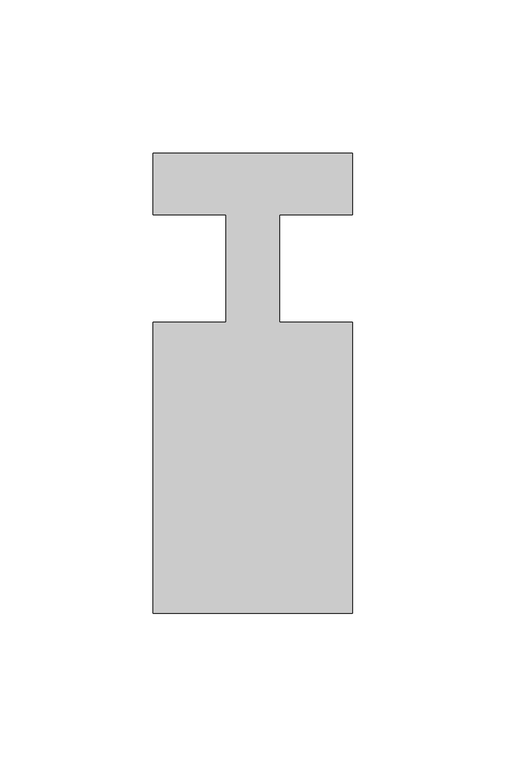
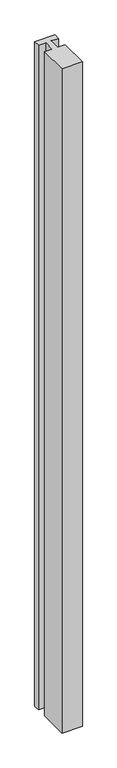
"""IFC4 building model written with IfcOpenShell, lengths in millimetres: member geometry."""

import ifcopenshell
import ifcopenshell.guid

model = None  # the IFC model being written
_history = None  # IfcOwnerHistory: only IFC2X3 demands one
_inside = {}  # id of a spatial element -> (the spatial element, [elements in it])
_under = {}  # id of a project, library or spatial element -> (it, [spatial elements below it])
_declared = {}  # id of a project -> (the project, [libraries it declares])
_typed = {}  # id of a type object -> (the type object, [elements of that type])
_made_of = {}  # id of a material, layer set ... -> (it, [elements and type objects made of it])


def new_model(schema):
    """Start an empty IFC model of exactly this schema.

    Asked for "IFC4X3", IfcOpenShell would pick the latest addendum, in which some entities
    have other attributes; the version numbers below select the first issue.
    IFC2X3 requires an IfcOwnerHistory on every rooted entity: one is made here for all.
    """
    global model, _history
    if schema == "IFC4X3":
        model = ifcopenshell.file(schema_version=(4, 3, 0, 0))
    else:
        model = ifcopenshell.file(schema=schema)
    _inside.clear()
    _under.clear()
    _declared.clear()
    _typed.clear()
    _made_of.clear()
    _history = None
    if model.schema == "IFC2X3":
        org = make("IfcOrganization", Name="unknown")
        user = make(
            "IfcPersonAndOrganization",
            ThePerson=make("IfcPerson", FamilyName="unknown"),
            TheOrganization=org,
        )
        app = make(
            "IfcApplication",
            ApplicationDeveloper=org,
            Version="unknown",
            ApplicationFullName="unknown",
            ApplicationIdentifier="unknown",
        )
        _history = make(
            "IfcOwnerHistory",
            OwningUser=user,
            OwningApplication=app,
            ChangeAction="ADDED",
            CreationDate=0,
        )
    return model


def make(cls, **values):
    """One entity of the class cls with the attributes given. An attribute that is None is left unset."""
    return model.create_entity(
        cls, **{name: value for name, value in values.items() if value is not None}
    )


def rooted(cls, **values):
    """An entity with a GlobalId (a new one), such as an element, a storey or a relation."""
    return make(cls, GlobalId=ifcopenshell.guid.new(), OwnerHistory=_history, **values)


def si_unit(unit_type, name, prefix=None):
    """IfcSIUnit, for example si_unit("LENGTHUNIT", "METRE", prefix="MILLI")."""
    return make("IfcSIUnit", UnitType=unit_type, Prefix=prefix, Name=name)


def assignment(units):
    """IfcUnitAssignment: the units of a project."""
    return None if units is None else make("IfcUnitAssignment", Units=units)


def point(xyz):
    """IfcCartesianPoint."""
    return None if xyz is None else make("IfcCartesianPoint", Coordinates=xyz)


def direction(xyz):
    """IfcDirection."""
    return None if xyz is None else make("IfcDirection", DirectionRatios=xyz)


def frame(location, z_axis=None, x_axis=None):
    """IfcAxis2Placement3D, a coordinate frame: its origin and axes. An axis left out is left unset."""
    return make(
        "IfcAxis2Placement3D",
        Location=point(location),
        Axis=direction(z_axis),
        RefDirection=direction(x_axis),
    )


def origin():
    """The frame at (0, 0, 0) with its axes left unset."""
    return frame((0.0, 0.0, 0.0))


def place(relative_to, where):
    """IfcLocalPlacement: puts the frame where relative to a parent placement (None: the world)."""
    return make(
        "IfcLocalPlacement", PlacementRelTo=relative_to, RelativePlacement=where
    )


def context(
    kind, dimensions, precision=None, world=None, true_north=None, identifier=None
):
    """IfcGeometricRepresentationContext, for example the 3D "Model" context."""
    return make(
        "IfcGeometricRepresentationContext",
        ContextIdentifier=identifier,
        ContextType=kind,
        CoordinateSpaceDimension=dimensions,
        Precision=precision,
        WorldCoordinateSystem=world,
        TrueNorth=true_north,
    )


def project(units=None, contexts=None):
    """IfcProject with its units and contexts."""
    return rooted(
        "IfcProject",
        Name="project",
        RepresentationContexts=contexts,
        UnitsInContext=assignment(units),
    )


def spatial(cls, under=None, at=None, **own):
    """A site, building, storey or space (cls), placed at a placement, below another one or the project."""
    s = rooted(cls, ObjectPlacement=at, **own)
    if under is not None:
        _under.setdefault(under.id(), (under, []))[1].append(s)
    return s


def polyline(points):
    """IfcPolyline through the points."""
    return make("IfcPolyline", Points=[point(p) for p in points])


def outline(outer, holes=None, kind="AREA"):
    """IfcArbitraryClosedProfileDef: a profile drawn as a closed curve; with holes, ...WithVoids."""
    if holes is None:
        return make("IfcArbitraryClosedProfileDef", ProfileType=kind, OuterCurve=outer)
    return make(
        "IfcArbitraryProfileDefWithVoids",
        ProfileType=kind,
        OuterCurve=outer,
        InnerCurves=holes,
    )


def extrude(swept, where, along, depth):
    """IfcExtrudedAreaSolid: the profile swept, set in the frame where, extruded along a direction by depth."""
    return make(
        "IfcExtrudedAreaSolid",
        SweptArea=swept,
        Position=where,
        ExtrudedDirection=direction(along),
        Depth=depth,
    )


def shape(context_of_items, identifier, shape_type, items):
    """IfcShapeRepresentation: the items that make up one representation, for example the "Body"."""
    return make(
        "IfcShapeRepresentation",
        ContextOfItems=context_of_items,
        RepresentationIdentifier=identifier,
        RepresentationType=shape_type,
        Items=items,
    )


def source(mapping_origin, context_of_items, identifier, shape_type, items):
    """IfcRepresentationMap: a shape defined once, which mapped items show again and again."""
    return make(
        "IfcRepresentationMap",
        MappingOrigin=mapping_origin,
        MappedRepresentation=shape(context_of_items, identifier, shape_type, items),
    )


def transform(
    local_origin,
    x_axis=None,
    y_axis=None,
    z_axis=None,
    scale=None,
    scale2=None,
    scale3=None,
    uniform=True,
):
    """IfcCartesianTransformationOperator3D, or its non-uniform kind. x_axis, y_axis, z_axis: its Axis1, 2, 3."""
    if uniform:
        return make(
            "IfcCartesianTransformationOperator3D",
            Axis1=direction(x_axis),
            Axis2=direction(y_axis),
            LocalOrigin=point(local_origin),
            Scale=scale,
            Axis3=direction(z_axis),
        )
    return make(
        "IfcCartesianTransformationOperator3DnonUniform",
        Axis1=direction(x_axis),
        Axis2=direction(y_axis),
        LocalOrigin=point(local_origin),
        Scale=scale,
        Axis3=direction(z_axis),
        Scale2=scale2,
        Scale3=scale3,
    )


def mapped(mapping_source, mapping_target):
    """IfcMappedItem: shows the shape of a source again, moved by a transform."""
    return make(
        "IfcMappedItem", MappingSource=mapping_source, MappingTarget=mapping_target
    )


def made_of(thing, what):
    """Note that an element or type object is made of a material, layer set ...; save() writes the relation."""
    if what is not None:
        _made_of.setdefault(what.id(), (what, []))[1].append(thing)
    return thing


def element(
    cls,
    number,
    at=None,
    inside=None,
    cuts=None,
    type_object=None,
    material=None,
    context=None,
    identifier="Body",
    shape_type=None,
    held_by="IfcProductDefinitionShape",
    body=None,
    shapes=None,
    **own,
):
    """One element of the class cls, such as IfcWall. Its Tag is "e" and its number.

    at: its placement. inside: the storey or other place that contains it. cuts: it is an
    opening in that element (IfcRelVoidsElement). A single representation is given by context,
    identifier, shape_type and body (its items); several are given by shapes. held_by: the class
    of the entity that holds the representations. save() writes the other relations.
    """
    e = rooted(cls, Tag="e%d" % number, ObjectPlacement=at, **own)
    if body is not None:
        shapes = [shape(context, identifier, shape_type, body)]
    if shapes is not None:
        e.Representation = make(held_by, Representations=shapes)
    if inside is not None:
        _inside.setdefault(inside.id(), (inside, []))[1].append(e)
    if cuts is not None:
        rooted(
            "IfcRelVoidsElement", RelatingBuildingElement=cuts, RelatedOpeningElement=e
        )
    if type_object is not None:
        _typed.setdefault(type_object.id(), (type_object, []))[1].append(e)
    return made_of(e, material)


def aggregate(whole, parts):
    """IfcRelAggregates: a whole, such as a stair, and the parts it consists of."""
    return rooted("IfcRelAggregates", RelatingObject=whole, RelatedObjects=parts)


def save(model, path):
    """Write the relations noted so far, then the file.

    IfcRelAggregates (storeys below a building ...), IfcRelContainedInSpatialStructure (elements
    in a storey), IfcRelDefinesByType, IfcRelAssociatesMaterial and IfcRelDeclares: one each for
    every whole, place, type object, material and project.
    """
    for whole, parts in _under.values():
        aggregate(whole, parts)
    for where, things in _inside.values():
        rooted(
            "IfcRelContainedInSpatialStructure",
            RelatedElements=things,
            RelatingStructure=where,
        )
    for kind, things in _typed.values():
        rooted("IfcRelDefinesByType", RelatedObjects=things, RelatingType=kind)
    for what, things in _made_of.values():
        rooted("IfcRelAssociatesMaterial", RelatedObjects=things, RelatingMaterial=what)
    for by, libraries in _declared.values():
        rooted("IfcRelDeclares", RelatingContext=by, RelatedDefinitions=libraries)
    model.write(path)


def member_6bbfea4c(model_context):
    return source(origin(), model_context, "Body", "SweptSolid", [
        extrude(outline(polyline([(0.0, 37.0), (0.0, 17.0), (-23.8125, 17.0), (-23.8125, -18.0), (0.0, -18.0), (0.0, -113.0), (-65.0, -113.0), (-65.0, -18.0), (-41.1875, -18.0), (-41.1875, 17.0), (-65.0, 17.0), (-65.0, 37.0), (0.0, 37.0)])), frame((0.0, 0.0, -2235.0), z_axis=(0.0, 0.0, 1.0), x_axis=(1.0, 0.0, 0.0)), (0.0, 0.0, 1.0), 2235.0),
    ])


if __name__ == "__main__":
    model = new_model("IFC4")
    model_context = context("Model", 3, world=origin())
    ifc_project = project(units=[si_unit("LENGTHUNIT", "METRE", prefix="MILLI")], contexts=[model_context])
    site = spatial("IfcSite", under=ifc_project)
    building = spatial("IfcBuilding", under=site)
    placement = place(None, origin())
    member_shape = member_6bbfea4c(model_context)
    element("IfcMember", 1, at=placement, inside=building, context=model_context, shape_type="MappedRepresentation", body=[
        mapped(member_shape, transform((0.0, 0.0, 0.0), x_axis=(1.0, 0.0, 0.0), y_axis=(0.0, 1.0, 0.0), z_axis=(0.0, 0.0, 1.0))),
    ])
    save(model, "model.ifc")
